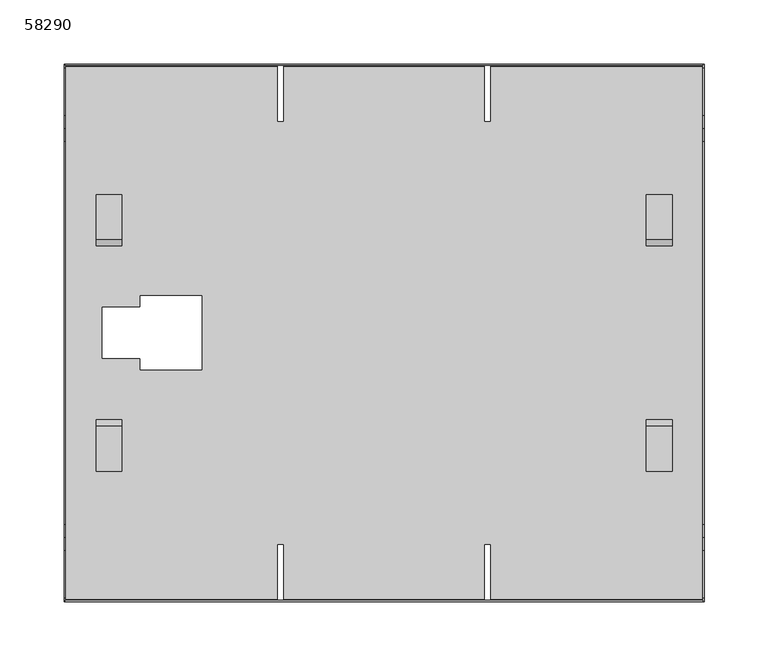
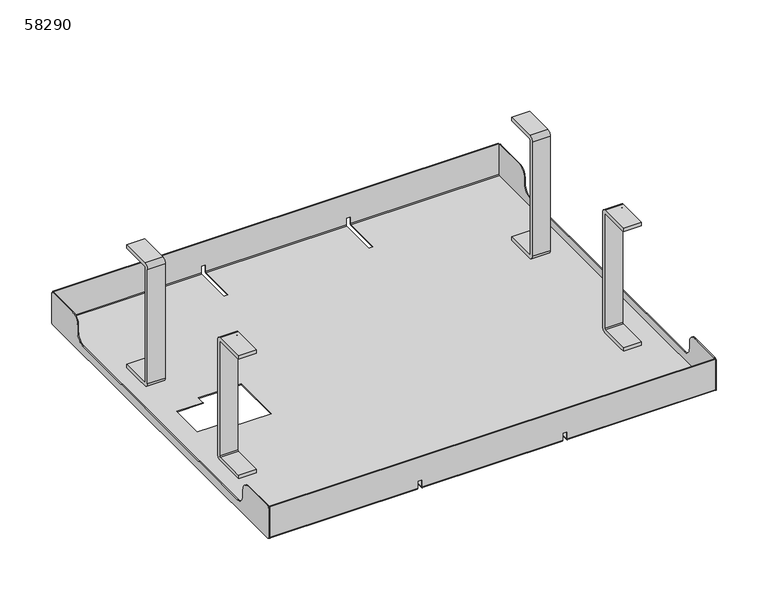
"""IFC4 building model written with IfcOpenShell, lengths in millimetres: furniture geometry, 58290."""

from ifc_helpers import new_model, si_unit, point, frame, frame_2d, origin, place, context, project, spatial, polyline, circle_curve, trimmed, segment, composite_curve, outline, extrude, source, transform, mapped, element, save
from ifc_brep_helpers import plane_surface, cylinder_surface, revolved_surface, advanced_brep


def furniture_58290_e455089c(model_context):
    return source(origin(), model_context, "Body", "SolidModel", [
        extrude(outline(composite_curve([segment(polyline([(73.0, 146.0), (108.0, 146.0), (108.0, 142.0), (73.0, 142.0)]), True, "CONTINUOUS"), segment(trimmed(circle_curve(frame_2d((73.0, 141.0)), 1.0), [point((73.0, 142.0))], [point((72.0, 141.0))], True, "CARTESIAN"), True, "CONTINUOUS"), segment(polyline([(72.0, 141.0), (72.0, 6.0)]), True, "CONTINUOUS"), segment(trimmed(circle_curve(frame_2d((73.0, 6.0)), 1.0), [point((72.0, 6.0))], [point((73.0, 5.0))], True, "CARTESIAN"), True, "CONTINUOUS"), segment(polyline([(73.0, 5.0), (108.0, 5.0), (108.0, 1.0), (73.0, 1.0)]), True, "CONTINUOUS"), segment(trimmed(circle_curve(frame_2d((73.0, 6.0)), 5.0), [point((73.0, 1.0))], [point((68.0, 6.0))], False, "CARTESIAN"), True, "CONTINUOUS"), segment(polyline([(68.0, 6.0), (68.0, 141.0)]), True, "CONTINUOUS"), segment(trimmed(circle_curve(frame_2d((73.0, 141.0)), 5.0), [point((68.0, 141.0))], [point((73.0, 146.0))], False, "CARTESIAN"), True, "CONTINUOUS")], self_intersect=False)), frame((455.0, 0.0, 0.0), z_axis=(1.0, 0.0, 0.0), x_axis=(0.0, 1.0, 0.0)), (0.0, 0.0, 1.0), 20.0),
        extrude(outline(composite_curve([segment(polyline([(73.0, 146.0), (108.0, 146.0), (108.0, 142.0), (73.0, 142.0)]), True, "CONTINUOUS"), segment(trimmed(circle_curve(frame_2d((73.0, 141.0)), 1.0), [point((73.0, 142.0))], [point((72.0, 141.0))], True, "CARTESIAN"), True, "CONTINUOUS"), segment(polyline([(72.0, 141.0), (72.0, 6.0)]), True, "CONTINUOUS"), segment(trimmed(circle_curve(frame_2d((73.0, 6.0)), 1.0), [point((72.0, 6.0))], [point((73.0, 5.0))], True, "CARTESIAN"), True, "CONTINUOUS"), segment(polyline([(73.0, 5.0), (108.0, 5.0), (108.0, 1.0), (73.0, 1.0)]), True, "CONTINUOUS"), segment(trimmed(circle_curve(frame_2d((73.0, 6.0)), 5.0), [point((73.0, 1.0))], [point((68.0, 6.0))], False, "CARTESIAN"), True, "CONTINUOUS"), segment(polyline([(68.0, 6.0), (68.0, 141.0)]), True, "CONTINUOUS"), segment(trimmed(circle_curve(frame_2d((73.0, 141.0)), 5.0), [point((68.0, 141.0))], [point((73.0, 146.0))], False, "CARTESIAN"), True, "CONTINUOUS")], self_intersect=False)), frame((25.0, 0.0, 0.0), z_axis=(1.0, 0.0, 0.0), x_axis=(0.0, 1.0, 0.0)), (0.0, 0.0, 1.0), 20.0),
        extrude(outline(composite_curve([segment(trimmed(circle_curve(frame_2d((-73.0, 141.0)), 5.0), [point((-73.0, 146.0))], [point((-68.0, 141.0))], False, "CARTESIAN"), True, "CONTINUOUS"), segment(polyline([(-68.0, 141.0), (-68.0, 6.0)]), True, "CONTINUOUS"), segment(trimmed(circle_curve(frame_2d((-73.0, 6.0)), 5.0), [point((-68.0, 6.0))], [point((-73.0, 1.0))], False, "CARTESIAN"), True, "CONTINUOUS"), segment(polyline([(-73.0, 1.0), (-108.0, 1.0), (-108.0, 5.0), (-73.0, 5.0)]), True, "CONTINUOUS"), segment(trimmed(circle_curve(frame_2d((-73.0, 6.0)), 1.0), [point((-73.0, 5.0))], [point((-72.0, 6.0))], True, "CARTESIAN"), True, "CONTINUOUS"), segment(polyline([(-72.0, 6.0), (-72.0, 141.0)]), True, "CONTINUOUS"), segment(trimmed(circle_curve(frame_2d((-73.0, 141.0)), 1.0), [point((-72.0, 141.0))], [point((-73.0, 142.0))], True, "CARTESIAN"), True, "CONTINUOUS"), segment(polyline([(-73.0, 142.0), (-108.0, 142.0), (-108.0, 146.0), (-73.0, 146.0)]), True, "CONTINUOUS")], self_intersect=False)), frame((455.0, 0.0, 0.0), z_axis=(1.0, 0.0, 0.0), x_axis=(0.0, 1.0, 0.0)), (0.0, 0.0, 1.0), 20.0),
        extrude(outline(composite_curve([segment(trimmed(circle_curve(frame_2d((-73.0, 141.0)), 5.0), [point((-73.0, 146.0))], [point((-68.0, 141.0))], False, "CARTESIAN"), True, "CONTINUOUS"), segment(polyline([(-68.0, 141.0), (-68.0, 6.0)]), True, "CONTINUOUS"), segment(trimmed(circle_curve(frame_2d((-73.0, 6.0)), 5.0), [point((-68.0, 6.0))], [point((-73.0, 1.0))], False, "CARTESIAN"), True, "CONTINUOUS"), segment(polyline([(-73.0, 1.0), (-108.0, 1.0), (-108.0, 5.0), (-73.0, 5.0)]), True, "CONTINUOUS"), segment(trimmed(circle_curve(frame_2d((-73.0, 6.0)), 1.0), [point((-73.0, 5.0))], [point((-72.0, 6.0))], True, "CARTESIAN"), True, "CONTINUOUS"), segment(polyline([(-72.0, 6.0), (-72.0, 141.0)]), True, "CONTINUOUS"), segment(trimmed(circle_curve(frame_2d((-73.0, 141.0)), 1.0), [point((-72.0, 141.0))], [point((-73.0, 142.0))], True, "CARTESIAN"), True, "CONTINUOUS"), segment(polyline([(-73.0, 142.0), (-108.0, 142.0), (-108.0, 146.0), (-73.0, 146.0)]), True, "CONTINUOUS")], self_intersect=False)), frame((25.0, 0.0, 0.0), z_axis=(1.0, 0.0, 0.0), x_axis=(0.0, 1.0, 0.0)), (0.0, 0.0, 1.0), 20.0),
        advanced_brep(
        [(499.0, -210.0, 2.0), (499.0, -208.0, 0.0), (499.0, 208.0, 0.0), (499.0, 210.0, 2.0), (499.0, 210.0, 38.0), (499.0, 209.0, 38.0), (499.0, 209.0, 2.0), (499.0, 208.0, 1.0), (499.0, -208.0, 1.0), (499.0, -209.0, 2.0), (499.0, -209.0, 38.0), (499.0, -210.0, 38.0), (1.0, -210.0, 2.0), (1.0, -210.0, 38.0), (1.0, -209.0, 38.0), (1.0, -209.0, 2.0), (1.0, -208.0, 1.0), (1.0, 208.0, 1.0), (1.0, 209.0, 2.0), (1.0, 209.0, 38.0), (1.0, 210.0, 38.0), (1.0, 210.0, 2.0), (1.0, 208.0, 0.0), (1.0, -208.0, 0.0), (333.5, -208.0, 0.0), (333.5, -165.0, 0.0), (328.5, -165.0, 0.0), (328.5, -208.0, 0.0), (171.5, -208.0, 0.0), (171.5, -165.0, 0.0), (166.5, -165.0, 0.0), (166.5, -208.0, 0.0), (166.5, 208.0, 0.0), (166.5, 165.0, 0.0), (171.5, 165.0, 0.0), (171.5, 208.0, 0.0), (328.5, 208.0, 0.0), (328.5, 165.0, 0.0), (333.5, 165.0, 0.0), (333.5, 208.0, 0.0), (59.5, 20.0, 0.0), (30.0, 20.0, 0.0), (30.0, -20.0, 0.0), (59.5, -20.0, 0.0), (59.5, -29.0, 0.0), (107.5, -29.0, 0.0), (107.5, 29.0, 0.0), (59.5, 29.0, 0.0), (333.5, 210.0, 2.0), (333.5, 210.0, 10.0), (328.5, 210.0, 10.0), (328.5, 210.0, 2.0), (171.5, 210.0, 2.0), (171.5, 210.0, 10.0), (166.5, 210.0, 10.0), (166.5, 210.0, 2.0), (166.5, 209.0, 2.0), (166.5, 209.0, 10.0), (171.5, 209.0, 10.0), (171.5, 209.0, 2.0), (328.5, 209.0, 2.0), (328.5, 209.0, 10.0), (333.5, 209.0, 10.0), (333.5, 209.0, 2.0), (333.5, 208.0, 1.0), (333.5, 165.0, 1.0), (328.5, 165.0, 1.0), (328.5, 208.0, 1.0), (171.5, 208.0, 1.0), (171.5, 165.0, 1.0), (166.5, 165.0, 1.0), (166.5, 208.0, 1.0), (166.5, -208.0, 1.0), (166.5, -165.0, 1.0), (171.5, -165.0, 1.0), (171.5, -208.0, 1.0), (328.5, -208.0, 1.0), (328.5, -165.0, 1.0), (333.5, -165.0, 1.0), (333.5, -208.0, 1.0), (30.0, 20.0, 1.0), (59.5, 20.0, 1.0), (59.5, 29.0, 1.0), (107.5, 29.0, 1.0), (107.5, -29.0, 1.0), (59.5, -29.0, 1.0), (59.5, -20.0, 1.0), (30.0, -20.0, 1.0), (333.5, -209.0, 2.0), (333.5, -209.0, 10.0), (328.5, -209.0, 10.0), (328.5, -209.0, 2.0), (171.5, -209.0, 2.0), (171.5, -209.0, 10.0), (166.5, -209.0, 10.0), (166.5, -209.0, 2.0), (166.5, -210.0, 2.0), (166.5, -210.0, 10.0), (171.5, -210.0, 10.0), (171.5, -210.0, 2.0), (328.5, -210.0, 2.0), (328.5, -210.0, 10.0), (333.5, -210.0, 10.0), (333.5, -210.0, 2.0)],
        [
            (0, 1, circle_curve(frame((499.0, -208.0, 2.0), z_axis=(1.0, 0.0, 0.0), x_axis=(0.0, 1.0, 0.0)), 2.0)),
            (1, 2),
            (2, 3, circle_curve(frame((499.0, 208.0, 2.0), z_axis=(1.0, 0.0, 0.0), x_axis=(0.0, 1.0, 0.0)), 2.0)),
            (3, 4),
            (4, 5),
            (5, 6),
            (6, 7, circle_curve(frame((499.0, 208.0, 2.0), z_axis=(-1.0, 0.0, 0.0), x_axis=(0.0, 1.0, 0.0)), 1.0)),
            (7, 8),
            (8, 9, circle_curve(frame((499.0, -208.0, 2.0), z_axis=(-1.0, 0.0, 0.0), x_axis=(0.0, 1.0, 0.0)), 1.0)),
            (9, 10),
            (10, 11),
            (11, 0),
            (12, 13),
            (13, 14),
            (14, 15),
            (15, 16, circle_curve(frame((1.0, -208.0, 2.0), z_axis=(1.0, 0.0, 0.0), x_axis=(0.0, 1.0, 0.0)), 1.0)),
            (16, 17),
            (17, 18, circle_curve(frame((1.0, 208.0, 2.0), z_axis=(1.0, 0.0, 0.0), x_axis=(0.0, 1.0, 0.0)), 1.0)),
            (18, 19),
            (19, 20),
            (20, 21),
            (21, 22, circle_curve(frame((1.0, 208.0, 2.0), z_axis=(-1.0, 0.0, 0.0), x_axis=(0.0, 1.0, 0.0)), 2.0)),
            (22, 23),
            (23, 12, circle_curve(frame((1.0, -208.0, 2.0), z_axis=(-1.0, 0.0, 0.0), x_axis=(0.0, 1.0, 0.0)), 2.0)),
            (1, 24),
            (24, 25),
            (25, 26),
            (26, 27),
            (27, 28),
            (28, 29),
            (29, 30),
            (30, 31),
            (31, 23),
            (22, 32),
            (32, 33),
            (33, 34),
            (34, 35),
            (35, 36),
            (36, 37),
            (37, 38),
            (38, 39),
            (39, 2),
            (40, 41),
            (41, 42),
            (42, 43),
            (43, 44),
            (44, 45),
            (45, 46),
            (46, 47),
            (47, 40),
            (3, 48),
            (48, 49),
            (49, 50),
            (50, 51),
            (51, 52),
            (52, 53),
            (53, 54),
            (54, 55),
            (55, 21),
            (20, 4),
            (19, 5),
            (18, 56),
            (56, 57),
            (57, 58),
            (58, 59),
            (59, 60),
            (60, 61),
            (61, 62),
            (62, 63),
            (63, 6),
            (7, 64),
            (64, 65),
            (65, 66),
            (66, 67),
            (67, 68),
            (68, 69),
            (69, 70),
            (70, 71),
            (71, 17),
            (16, 72),
            (72, 73),
            (73, 74),
            (74, 75),
            (75, 76),
            (76, 77),
            (77, 78),
            (78, 79),
            (79, 8),
            (80, 81),
            (81, 82),
            (82, 83),
            (83, 84),
            (84, 85),
            (85, 86),
            (86, 87),
            (87, 80),
            (9, 88),
            (88, 89),
            (89, 90),
            (90, 91),
            (91, 92),
            (92, 93),
            (93, 94),
            (94, 95),
            (95, 15),
            (14, 10),
            (13, 11),
            (12, 96),
            (96, 97),
            (97, 98),
            (98, 99),
            (99, 100),
            (100, 101),
            (101, 102),
            (102, 103),
            (103, 0),
            (103, 24, circle_curve(frame((333.5, -208.0, 2.0), z_axis=(1.0, 0.0, 0.0), x_axis=(0.0, 1.0, 0.0)), 2.0)),
            (31, 96, circle_curve(frame((166.5, -208.0, 2.0), z_axis=(-1.0, 0.0, 0.0), x_axis=(0.0, 1.0, 0.0)), 2.0)),
            (27, 100, circle_curve(frame((328.5, -208.0, 2.0), z_axis=(-1.0, 0.0, 0.0), x_axis=(0.0, 1.0, 0.0)), 2.0)),
            (99, 28, circle_curve(frame((171.5, -208.0, 2.0), z_axis=(1.0, 0.0, 0.0), x_axis=(0.0, 1.0, 0.0)), 2.0)),
            (39, 48, circle_curve(frame((333.5, 208.0, 2.0), z_axis=(1.0, 0.0, 0.0), x_axis=(0.0, 1.0, 0.0)), 2.0)),
            (55, 32, circle_curve(frame((166.5, 208.0, 2.0), z_axis=(-1.0, 0.0, 0.0), x_axis=(0.0, 1.0, 0.0)), 2.0)),
            (51, 36, circle_curve(frame((328.5, 208.0, 2.0), z_axis=(-1.0, 0.0, 0.0), x_axis=(0.0, 1.0, 0.0)), 2.0)),
            (35, 52, circle_curve(frame((171.5, 208.0, 2.0), z_axis=(1.0, 0.0, 0.0), x_axis=(0.0, 1.0, 0.0)), 2.0)),
            (63, 64, circle_curve(frame((333.5, 208.0, 2.0), z_axis=(-1.0, 0.0, 0.0), x_axis=(0.0, 1.0, 0.0)), 1.0)),
            (71, 56, circle_curve(frame((166.5, 208.0, 2.0), z_axis=(1.0, 0.0, 0.0), x_axis=(0.0, 1.0, 0.0)), 1.0)),
            (67, 60, circle_curve(frame((328.5, 208.0, 2.0), z_axis=(1.0, 0.0, 0.0), x_axis=(0.0, 1.0, 0.0)), 1.0)),
            (59, 68, circle_curve(frame((171.5, 208.0, 2.0), z_axis=(-1.0, 0.0, 0.0), x_axis=(0.0, 1.0, 0.0)), 1.0)),
            (79, 88, circle_curve(frame((333.5, -208.0, 2.0), z_axis=(-1.0, 0.0, 0.0), x_axis=(0.0, 1.0, 0.0)), 1.0)),
            (95, 72, circle_curve(frame((166.5, -208.0, 2.0), z_axis=(1.0, 0.0, 0.0), x_axis=(0.0, 1.0, 0.0)), 1.0)),
            (91, 76, circle_curve(frame((328.5, -208.0, 2.0), z_axis=(1.0, 0.0, 0.0), x_axis=(0.0, 1.0, 0.0)), 1.0)),
            (75, 92, circle_curve(frame((171.5, -208.0, 2.0), z_axis=(-1.0, 0.0, 0.0), x_axis=(0.0, 1.0, 0.0)), 1.0)),
            (53, 58),
            (57, 54),
            (97, 94),
            (93, 98),
            (101, 90),
            (89, 102),
            (49, 62),
            (61, 50),
            (70, 33),
            (69, 34),
            (74, 29),
            (73, 30),
            (78, 25),
            (77, 26),
            (66, 37),
            (65, 38),
            (40, 81),
            (80, 41),
            (87, 42),
            (86, 43),
            (85, 44),
            (84, 45),
            (83, 46),
            (82, 47),
        ],
        [
            plane_surface(frame((499.0, -206.0, 2.0), z_axis=(1.0, 0.0, 0.0), x_axis=(0.0, 0.0, 1.0))),
            plane_surface(frame((1.0, -206.0, 2.0), z_axis=(-1.0, 0.0, 0.0), x_axis=(0.0, 0.0, -1.0))),
            plane_surface(frame((499.0, -208.0, 0.0), z_axis=(0.0, 0.0, -1.0), x_axis=(-1.0, 0.0, 0.0))),
            plane_surface(frame((499.0, 210.0, 2.0), z_axis=(0.0, 1.0, 0.0), x_axis=(-1.0, 0.0, 0.0))),
            plane_surface(frame((499.0, 210.0, 38.0), z_axis=(0.0, 0.0, 1.0), x_axis=(-1.0, 0.0, 0.0))),
            plane_surface(frame((499.0, 209.0, 38.0), z_axis=(0.0, -1.0, 0.0), x_axis=(-1.0, 0.0, 0.0))),
            plane_surface(frame((499.0, 208.0, 1.0), z_axis=(0.0, 0.0, 1.0), x_axis=(-1.0, 0.0, 0.0))),
            plane_surface(frame((499.0, -209.0, 2.0), z_axis=(0.0, 1.0, 0.0), x_axis=(-1.0, 0.0, 0.0))),
            plane_surface(frame((499.0, -209.0, 38.0), z_axis=(0.0, 0.0, 1.0), x_axis=(-1.0, 0.0, 0.0))),
            plane_surface(frame((499.0, -210.0, 38.0), z_axis=(0.0, -1.0, 0.0), x_axis=(-1.0, 0.0, 0.0))),
            cylinder_surface(frame((1.0, -208.0, 2.0), z_axis=(1.0, 0.0, 0.0), x_axis=(0.0, 1.0, 0.0)), 2.0),
            cylinder_surface(frame((1.0, 208.0, 2.0), z_axis=(1.0, 0.0, 0.0), x_axis=(0.0, 1.0, 0.0)), 2.0),
            revolved_surface(polyline([(333.5, 209.0, 2.0), (499.0, 209.0, 2.0)]), (1.0, 208.0, 2.0), (-1.0, 0.0, 0.0)),
            revolved_surface(polyline([(1.0, 209.0, 2.0), (166.5, 209.0, 2.0)]), (1.0, 208.0, 2.0), (-1.0, 0.0, 0.0)),
            revolved_surface(polyline([(171.5, 209.0, 2.0), (328.5, 209.0, 2.0)]), (1.0, 208.0, 2.0), (-1.0, 0.0, 0.0)),
            revolved_surface(polyline([(333.5, -207.0, 2.0), (499.0, -207.0, 2.0)]), (1.0, -208.0, 2.0), (-1.0, 0.0, 0.0)),
            revolved_surface(polyline([(1.0, -207.0, 2.0), (166.5, -207.0, 2.0)]), (1.0, -208.0, 2.0), (-1.0, 0.0, 0.0)),
            revolved_surface(polyline([(171.5, -207.0, 2.0), (328.5, -207.0, 2.0)]), (1.0, -208.0, 2.0), (-1.0, 0.0, 0.0)),
            plane_surface(frame((166.5, 210.0, 10.0), z_axis=(0.0, 0.0, -1.0), x_axis=(-1.0, 0.0, 0.0))),
            plane_surface(frame((166.5, 210.0, 10.0), z_axis=(1.0, 0.0, 0.0), x_axis=(0.0, 0.0, -1.0))),
            plane_surface(frame((166.5, 165.0, 10.0), z_axis=(0.0, 1.0, 0.0), x_axis=(0.0, 0.0, -1.0))),
            plane_surface(frame((171.5, 165.0, 10.0), z_axis=(-1.0, 0.0, 0.0), x_axis=(0.0, 0.0, -1.0))),
            plane_surface(frame((171.5, -210.0, 10.0), z_axis=(-1.0, 0.0, 0.0), x_axis=(0.0, 0.0, -1.0))),
            plane_surface(frame((171.5, -165.0, 10.0), z_axis=(0.0, -1.0, 0.0), x_axis=(0.0, 0.0, -1.0))),
            plane_surface(frame((166.5, -165.0, 10.0), z_axis=(1.0, 0.0, 0.0), x_axis=(0.0, 0.0, -1.0))),
            plane_surface(frame((333.5, -210.0, 10.0), z_axis=(-1.0, 0.0, 0.0), x_axis=(0.0, 0.0, -1.0))),
            plane_surface(frame((333.5, -165.0, 10.0), z_axis=(0.0, -1.0, 0.0), x_axis=(0.0, 0.0, -1.0))),
            plane_surface(frame((328.5, -165.0, 10.0), z_axis=(1.0, 0.0, 0.0), x_axis=(0.0, 0.0, -1.0))),
            plane_surface(frame((328.5, 210.0, 10.0), z_axis=(1.0, 0.0, 0.0), x_axis=(0.0, 0.0, -1.0))),
            plane_surface(frame((328.5, 165.0, 10.0), z_axis=(0.0, 1.0, 0.0), x_axis=(0.0, 0.0, -1.0))),
            plane_surface(frame((333.5, 165.0, 10.0), z_axis=(-1.0, 0.0, 0.0), x_axis=(0.0, 0.0, -1.0))),
            plane_surface(frame((59.5, 20.0, 40.0), z_axis=(0.0, -1.0, 0.0), x_axis=(0.0, 0.0, -1.0))),
            plane_surface(frame((30.0, 20.0, 40.0), z_axis=(1.0, 0.0, 0.0), x_axis=(0.0, 0.0, -1.0))),
            plane_surface(frame((30.0, -20.0, 40.0), z_axis=(0.0, 1.0, 0.0), x_axis=(0.0, 0.0, -1.0))),
            plane_surface(frame((59.5, -20.0, 40.0), z_axis=(1.0, 0.0, 0.0), x_axis=(0.0, 0.0, -1.0))),
            plane_surface(frame((59.5, -29.0, 40.0), z_axis=(0.0, 1.0, 0.0), x_axis=(0.0, 0.0, -1.0))),
            plane_surface(frame((107.5, -29.0, 40.0), z_axis=(-1.0, 0.0, 0.0), x_axis=(0.0, 0.0, -1.0))),
            plane_surface(frame((107.5, 29.0, 40.0), z_axis=(0.0, -1.0, 0.0), x_axis=(0.0, 0.0, -1.0))),
            plane_surface(frame((59.5, 29.0, 40.0), z_axis=(1.0, 0.0, 0.0), x_axis=(0.0, 0.0, -1.0))),
        ],
        [
            (0, [[1, 2, 3, 4, 5, 6, 7, 8, 9, 10, 11, 12]]),
            (1, [[13, 14, 15, 16, 17, 18, 19, 20, 21, 22, 23, 24]]),
            (2, [[-2, 25, 26, 27, 28, 29, 30, 31, 32, 33, -23, 34, 35, 36, 37, 38, 39, 40, 41, 42], [43, 44, 45, 46, 47, 48, 49, 50]]),
            (3, [[-4, 51, 52, 53, 54, 55, 56, 57, 58, 59, -21, 60]]),
            (4, [[-5, -60, -20, 61]]),
            (5, [[-6, -61, -19, 62, 63, 64, 65, 66, 67, 68, 69, 70]]),
            (6, [[-8, 71, 72, 73, 74, 75, 76, 77, 78, 79, -17, 80, 81, 82, 83, 84, 85, 86, 87, 88], [89, 90, 91, 92, 93, 94, 95, 96]]),
            (7, [[-10, 97, 98, 99, 100, 101, 102, 103, 104, 105, -15, 106]]),
            (8, [[-11, -106, -14, 107]]),
            (9, [[-12, -107, -13, 108, 109, 110, 111, 112, 113, 114, 115, 116]]),
            (10, [[-1, -116, 117, -25]]),
            (10, [[-24, -33, 118, -108]]),
            (10, [[-29, 119, -112, 120]]),
            (11, [[-3, -42, 121, -51]]),
            (11, [[-22, -59, 122, -34]]),
            (11, [[-55, 123, -38, 124]]),
            (12, [[-7, -70, 125, -71]]),
            (13, [[-18, -79, 126, -62]]),
            (14, [[-75, 127, -66, 128]]),
            (15, [[-9, -88, 129, -97]]),
            (16, [[-16, -105, 130, -80]]),
            (17, [[-101, 131, -84, 132]]),
            (18, [[133, -64, 134, -57]]),
            (18, [[135, -103, 136, -110]]),
            (18, [[137, -99, 138, -114]]),
            (18, [[139, -68, 140, -53]]),
            (19, [[-134, -63, -126, -78, 141, -35, -122, -58]]),
            (20, [[-141, -77, 142, -36]]),
            (21, [[-133, -56, -124, -37, -142, -76, -128, -65]]),
            (22, [[-136, -102, -132, -83, 143, -30, -120, -111]]),
            (23, [[-143, -82, 144, -31]]),
            (24, [[-135, -109, -118, -32, -144, -81, -130, -104]]),
            (25, [[-138, -98, -129, -87, 145, -26, -117, -115]]),
            (26, [[-145, -86, 146, -27]]),
            (27, [[-137, -113, -119, -28, -146, -85, -131, -100]]),
            (28, [[-140, -67, -127, -74, 147, -39, -123, -54]]),
            (29, [[-147, -73, 148, -40]]),
            (30, [[-139, -52, -121, -41, -148, -72, -125, -69]]),
            (31, [[149, -89, 150, -43]]),
            (32, [[-150, -96, 151, -44]]),
            (33, [[-151, -95, 152, -45]]),
            (34, [[-152, -94, 153, -46]]),
            (35, [[-153, -93, 154, -47]]),
            (36, [[-154, -92, 155, -48]]),
            (37, [[-155, -91, 156, -49]]),
            (38, [[-149, -50, -156, -90]]),
        ],
    ),
        extrude(outline(composite_curve([segment(trimmed(circle_curve(frame_2d((208.0, 2.0)), 2.0), [point((210.0, 2.0))], [point((208.0, 0.0))], False, "CARTESIAN"), True, "CONTINUOUS"), segment(polyline([(208.0, 0.0), (-208.0, 0.0)]), True, "CONTINUOUS"), segment(trimmed(circle_curve(frame_2d((-208.0, 2.0)), 2.0), [point((-208.0, 0.0))], [point((-210.0, 2.0))], False, "CARTESIAN"), True, "CONTINUOUS"), segment(polyline([(-210.0, 2.0), (-210.0, 35.0)]), True, "CONTINUOUS"), segment(trimmed(circle_curve(frame_2d((-207.0, 35.0)), 3.0), [point((-210.0, 35.0))], [point((-207.0, 38.0))], False, "CARTESIAN"), True, "CONTINUOUS"), segment(polyline([(-207.0, 38.0), (-170.0, 38.0)]), True, "CONTINUOUS"), segment(trimmed(circle_curve(frame_2d((-170.0, 28.0)), 10.0), [point((-170.0, 38.0))], [point((-160.0, 28.0))], False, "CARTESIAN"), True, "CONTINUOUS"), segment(polyline([(-160.0, 28.0), (-160.0, 20.5)]), True, "CONTINUOUS"), segment(trimmed(circle_curve(frame_2d((-149.5, 20.5)), 10.5), [point((-160.0, 20.5))], [point((-149.5, 10.0))], True, "CARTESIAN"), True, "CONTINUOUS"), segment(polyline([(-149.5, 10.0), (149.5, 10.0)]), True, "CONTINUOUS"), segment(trimmed(circle_curve(frame_2d((149.5, 20.5)), 10.5), [point((149.5, 10.0))], [point((160.0, 20.5))], True, "CARTESIAN"), True, "CONTINUOUS"), segment(polyline([(160.0, 20.5), (160.0, 28.0)]), True, "CONTINUOUS"), segment(trimmed(circle_curve(frame_2d((170.0, 28.0)), 10.0), [point((160.0, 28.0))], [point((170.0, 38.0))], False, "CARTESIAN"), True, "CONTINUOUS"), segment(polyline([(170.0, 38.0), (207.0, 38.0)]), True, "CONTINUOUS"), segment(trimmed(circle_curve(frame_2d((207.0, 35.0)), 3.0), [point((207.0, 38.0))], [point((210.0, 35.0))], False, "CARTESIAN"), True, "CONTINUOUS"), segment(polyline([(210.0, 35.0), (210.0, 2.0)]), True, "CONTINUOUS")], self_intersect=False)), frame((0.0, 0.0, 0.0), z_axis=(1.0, 0.0, 0.0), x_axis=(0.0, 1.0, 0.0)), (0.0, 0.0, 1.0), 1.0),
        extrude(outline(composite_curve([segment(trimmed(circle_curve(frame_2d((208.0, 2.0)), 2.0), [point((210.0, 2.0))], [point((208.0, 0.0))], False, "CARTESIAN"), True, "CONTINUOUS"), segment(polyline([(208.0, 0.0), (-208.0, 0.0)]), True, "CONTINUOUS"), segment(trimmed(circle_curve(frame_2d((-208.0, 2.0)), 2.0), [point((-208.0, 0.0))], [point((-210.0, 2.0))], False, "CARTESIAN"), True, "CONTINUOUS"), segment(polyline([(-210.0, 2.0), (-210.0, 35.0)]), True, "CONTINUOUS"), segment(trimmed(circle_curve(frame_2d((-207.0, 35.0)), 3.0), [point((-210.0, 35.0))], [point((-207.0, 38.0))], False, "CARTESIAN"), True, "CONTINUOUS"), segment(polyline([(-207.0, 38.0), (-170.0, 38.0)]), True, "CONTINUOUS"), segment(trimmed(circle_curve(frame_2d((-170.0, 28.0)), 10.0), [point((-170.0, 38.0))], [point((-160.0, 28.0))], False, "CARTESIAN"), True, "CONTINUOUS"), segment(polyline([(-160.0, 28.0), (-160.0, 20.5)]), True, "CONTINUOUS"), segment(trimmed(circle_curve(frame_2d((-149.5, 20.5)), 10.5), [point((-160.0, 20.5))], [point((-149.5, 10.0))], True, "CARTESIAN"), True, "CONTINUOUS"), segment(polyline([(-149.5, 10.0), (149.5, 10.0)]), True, "CONTINUOUS"), segment(trimmed(circle_curve(frame_2d((149.5, 20.5)), 10.5), [point((149.5, 10.0))], [point((160.0, 20.5))], True, "CARTESIAN"), True, "CONTINUOUS"), segment(polyline([(160.0, 20.5), (160.0, 28.0)]), True, "CONTINUOUS"), segment(trimmed(circle_curve(frame_2d((170.0, 28.0)), 10.0), [point((160.0, 28.0))], [point((170.0, 38.0))], False, "CARTESIAN"), True, "CONTINUOUS"), segment(polyline([(170.0, 38.0), (207.0, 38.0)]), True, "CONTINUOUS"), segment(trimmed(circle_curve(frame_2d((207.0, 35.0)), 3.0), [point((207.0, 38.0))], [point((210.0, 35.0))], False, "CARTESIAN"), True, "CONTINUOUS"), segment(polyline([(210.0, 35.0), (210.0, 2.0)]), True, "CONTINUOUS")], self_intersect=False)), frame((499.0, 0.0, 0.0), z_axis=(1.0, 0.0, 0.0), x_axis=(0.0, 1.0, 0.0)), (0.0, 0.0, 1.0), 1.0),
    ])


if __name__ == "__main__":
    model = new_model("IFC4")
    model_context = context("Model", 3, world=origin())
    ifc_project = project(units=[si_unit("LENGTHUNIT", "METRE", prefix="MILLI")], contexts=[model_context])
    site = spatial("IfcSite", under=ifc_project)
    building = spatial("IfcBuilding", under=site)
    placement = place(None, origin())
    furniture_58290_shape = furniture_58290_e455089c(model_context)
    element("IfcFurniture", 1, ObjectType="58290", at=placement, inside=building, context=model_context, shape_type="MappedRepresentation", body=[
        mapped(furniture_58290_shape, transform((0.0, 0.0, 0.0), x_axis=(1.0, 0.0, 0.0), y_axis=(0.0, 1.0, 0.0), z_axis=(0.0, 0.0, 1.0))),
    ])
    save(model, "model.ifc")
